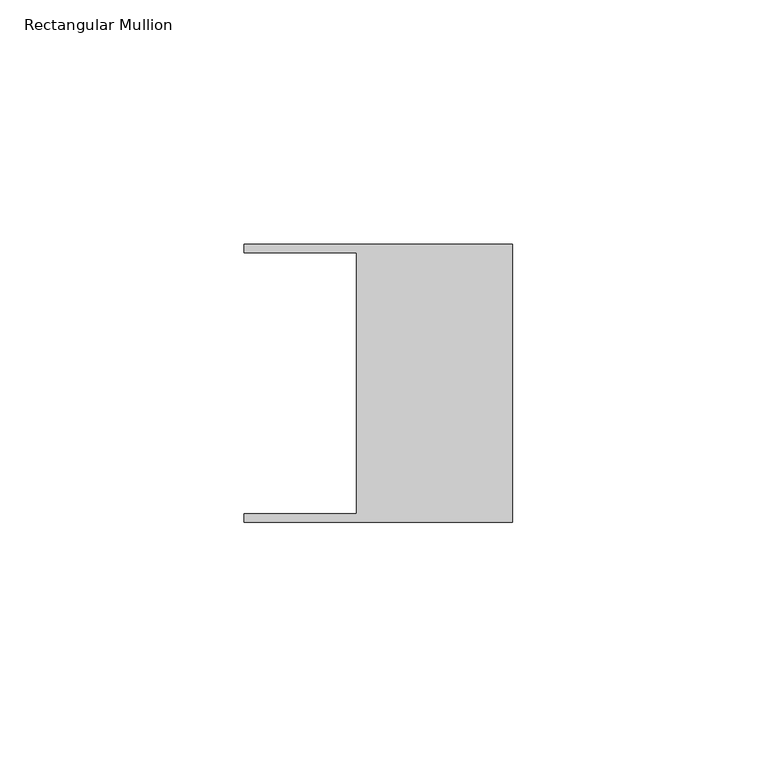
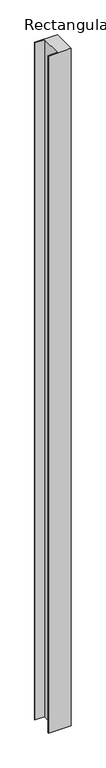
"""IFC4 building model written with IfcOpenShell, lengths in millimetres: member geometry, Rectangular Mullion."""

from ifc_helpers import new_model, si_unit, frame, origin, place, context, project, spatial, polyline, outline, extrude, source, transform, mapped, element, save


def rectangular_mullion_7a46b6f9(model_context):
    return source(origin(), model_context, "Body", "SweptSolid", [
        extrude(outline(polyline([(-32.004, -26.67), (-32.004, 26.67), (-54.991, 26.67), (-54.991, 28.448), (0.0, 28.448), (0.0, -28.448), (-54.991, -28.448), (-54.991, -26.67), (-32.004, -26.67)])), frame((0.0, 0.0, -1721.775519), z_axis=(0.0, 0.0, 1.0), x_axis=(1.0, 0.0, 0.0)), (0.0, 0.0, 1.0), 1721.775519),
    ])


if __name__ == "__main__":
    model = new_model("IFC4")
    model_context = context("Model", 3, world=origin())
    ifc_project = project(units=[si_unit("LENGTHUNIT", "METRE", prefix="MILLI")], contexts=[model_context])
    site = spatial("IfcSite", under=ifc_project)
    building = spatial("IfcBuilding", under=site)
    placement = place(None, origin())
    rectangular_mullion_shape = rectangular_mullion_7a46b6f9(model_context)
    element("IfcMember", 1, ObjectType="Rectangular Mullion", at=placement, inside=building, context=model_context, shape_type="MappedRepresentation", body=[
        mapped(rectangular_mullion_shape, transform((0.0, 0.0, 0.0), x_axis=(1.0, 0.0, 0.0), y_axis=(0.0, 1.0, 0.0), z_axis=(0.0, 0.0, 1.0))),
    ])
    save(model, "model.ifc")
